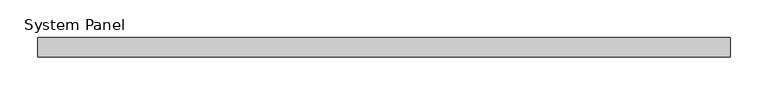
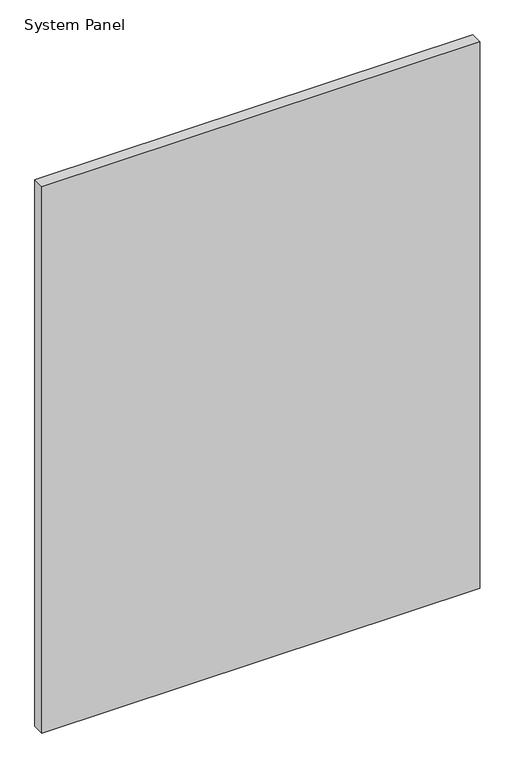
"""IFC4 building model written with IfcOpenShell, lengths in millimetres: plate geometry, System Panel."""

from ifc_helpers import new_model, si_unit, origin, origin_with_axes, place, context, project, spatial, polyline, outline, extrude, source, transform, mapped, element, save


def system_panel_92d77558(model_context):
    return source(origin(), model_context, "Body", "SweptSolid", [
        extrude(outline(polyline([(457.2000002, 19.05), (-457.2000002, 19.05), (-457.2000002, 44.45), (457.2000002, 44.45), (457.2000002, 19.05)])), origin_with_axes(), (0.0, 0.0, 1.0), 1206.5),
    ])


if __name__ == "__main__":
    model = new_model("IFC4")
    model_context = context("Model", 3, world=origin())
    ifc_project = project(units=[si_unit("LENGTHUNIT", "METRE", prefix="MILLI")], contexts=[model_context])
    site = spatial("IfcSite", under=ifc_project)
    building = spatial("IfcBuilding", under=site)
    placement = place(None, origin())
    system_panel_shape = system_panel_92d77558(model_context)
    element("IfcPlate", 1, ObjectType="System Panel", at=placement, inside=building, context=model_context, shape_type="MappedRepresentation", body=[
        mapped(system_panel_shape, transform((0.0, 0.0, 0.0), x_axis=(1.0, 0.0, 0.0), y_axis=(0.0, 1.0, 0.0), z_axis=(0.0, 0.0, 1.0))),
    ])
    save(model, "model.ifc")
